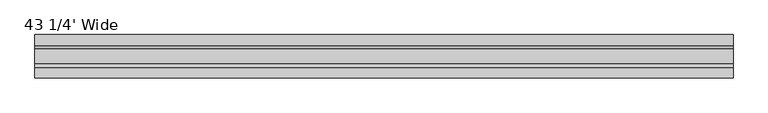
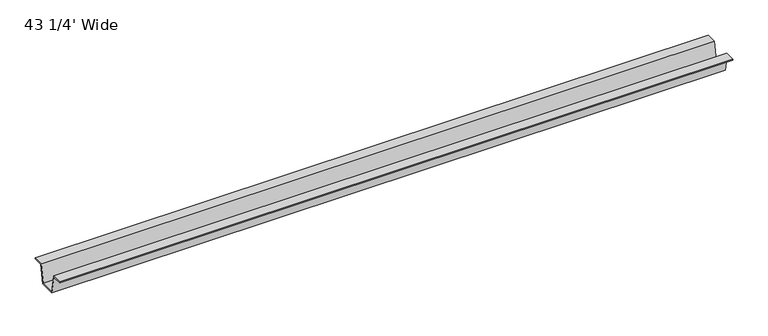
"""IFC4 building model written with IfcOpenShell, lengths in millimetres: furniture geometry, 43 1/4' Wide."""

from ifc_helpers import new_model, si_unit, frame, origin, place, context, project, spatial, polyline, outline, extrude, source, transform, mapped, element, save


def furniture_43_1_4_wide_be044442(model_context):
    return source(origin(), model_context, "Body", "SweptSolid", [
        extrude(outline(polyline([(137.3862362, 684.276), (121.485835, 684.276), (115.9232385, 654.0500008), (90.5232355, 654.0500008), (84.960639, 684.276), (69.0602378, 684.276), (69.0602378, 685.8), (85.9714992, 685.8), (91.5808402, 655.3200008), (114.8656337, 655.3200008), (120.4749747, 685.8), (137.3862362, 685.8), (137.3862362, 684.276)])), frame((56.104992, 0.0, 0.0), z_axis=(1.0, 0.0, 0.0), x_axis=(0.0, 1.0, 0.0)), (0.0, 0.0, 1.0), 1098.55),
    ])


if __name__ == "__main__":
    model = new_model("IFC4")
    model_context = context("Model", 3, world=origin())
    ifc_project = project(units=[si_unit("LENGTHUNIT", "METRE", prefix="MILLI")], contexts=[model_context])
    site = spatial("IfcSite", under=ifc_project)
    building = spatial("IfcBuilding", under=site)
    placement = place(None, origin())
    furniture_43_1_4_wide_shape = furniture_43_1_4_wide_be044442(model_context)
    element("IfcFurniture", 1, ObjectType="43 1/4' Wide", at=placement, inside=building, context=model_context, shape_type="MappedRepresentation", body=[
        mapped(furniture_43_1_4_wide_shape, transform((0.0, 0.0, 0.0), x_axis=(1.0, 0.0, 0.0), y_axis=(0.0, 1.0, 0.0), z_axis=(0.0, 0.0, 1.0))),
    ])
    save(model, "model.ifc")
